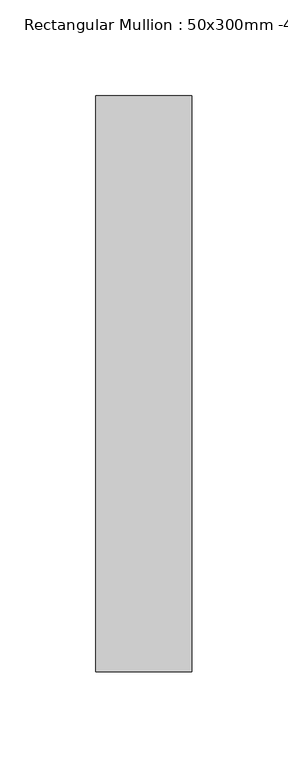
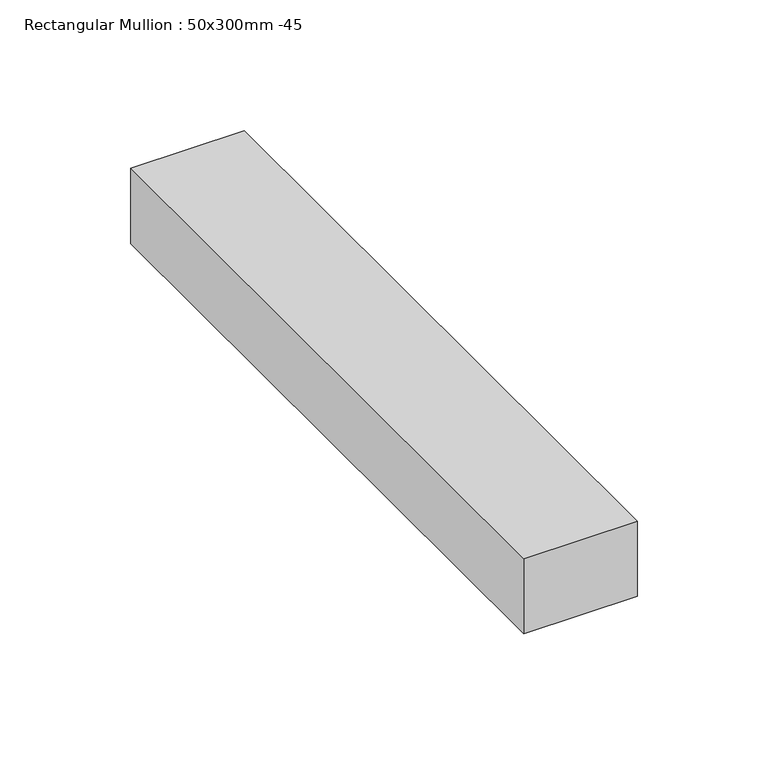
"""IFC4 building model written with IfcOpenShell, lengths in millimetres: member geometry, Rectangular Mullion : 50x300mm -45."""

from ifc_helpers import new_model, si_unit, frame, origin, place, context, project, spatial, polyline, outline, extrude, source, transform, mapped, element, save


def rectangular_mullion_50x300mm_45_6de50a94(model_context):
    return source(origin(), model_context, "Body", "SweptSolid", [
        extrude(outline(polyline([(0.0, 195.0), (0.0, -105.0), (-50.0, -105.0), (-50.0, 195.0), (0.0, 195.0)])), frame((0.0, 0.0, -35.0), z_axis=(0.0, 0.0, 1.0), x_axis=(1.0, 0.0, 0.0)), (0.0, 0.0, 1.0), 35.0),
    ])


if __name__ == "__main__":
    model = new_model("IFC4")
    model_context = context("Model", 3, world=origin())
    ifc_project = project(units=[si_unit("LENGTHUNIT", "METRE", prefix="MILLI")], contexts=[model_context])
    site = spatial("IfcSite", under=ifc_project)
    building = spatial("IfcBuilding", under=site)
    placement = place(None, origin())
    rectangular_mullion_50x300mm_45_shape = rectangular_mullion_50x300mm_45_6de50a94(model_context)
    element("IfcMember", 1, ObjectType="Rectangular Mullion : 50x300mm -45", at=placement, inside=building, context=model_context, shape_type="MappedRepresentation", body=[
        mapped(rectangular_mullion_50x300mm_45_shape, transform((0.0, 0.0, 0.0), x_axis=(1.0, 0.0, 0.0), y_axis=(0.0, 1.0, 0.0), z_axis=(0.0, 0.0, 1.0))),
    ])
    save(model, "model.ifc")
